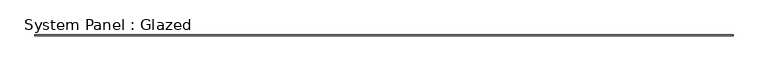
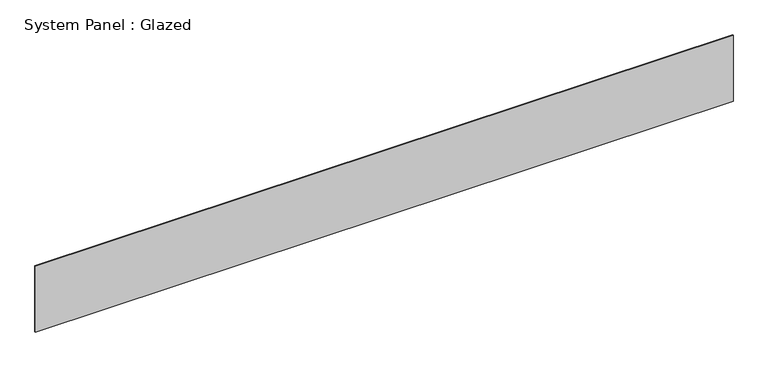
"""IFC4 building model written with IfcOpenShell, lengths in millimetres: plate geometry, System Panel : Glazed."""

from ifc_helpers import new_model, si_unit, origin, origin_with_axes, place, context, project, spatial, polyline, outline, extrude, source, transform, mapped, element, save


def system_panel_glazed_135f8bcc(model_context):
    return source(origin(), model_context, "Body", "SweptSolid", [
        extrude(outline(polyline([(10556.2722015, -49.5), (-10556.2722015, -49.5), (-10556.2722015, -24.5), (10556.2722015, -24.5), (10556.2722015, -49.5)])), origin_with_axes(), (0.0, 0.0, 1.0), 2100.0),
    ])


if __name__ == "__main__":
    model = new_model("IFC4")
    model_context = context("Model", 3, world=origin())
    ifc_project = project(units=[si_unit("LENGTHUNIT", "METRE", prefix="MILLI")], contexts=[model_context])
    site = spatial("IfcSite", under=ifc_project)
    building = spatial("IfcBuilding", under=site)
    placement = place(None, origin())
    system_panel_glazed_shape = system_panel_glazed_135f8bcc(model_context)
    element("IfcPlate", 1, ObjectType="System Panel : Glazed", at=placement, inside=building, context=model_context, shape_type="MappedRepresentation", body=[
        mapped(system_panel_glazed_shape, transform((0.0, 0.0, 0.0), x_axis=(1.0, 0.0, 0.0), y_axis=(0.0, 1.0, 0.0), z_axis=(0.0, 0.0, 1.0))),
    ])
    save(model, "model.ifc")
